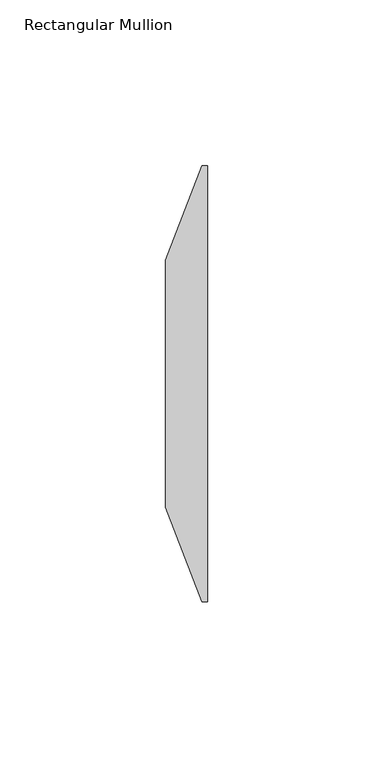
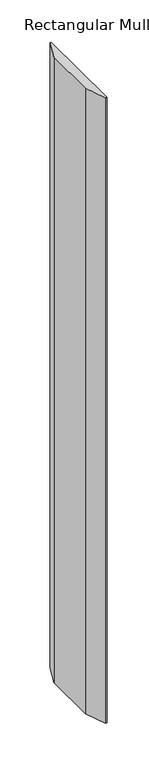
"""IFC4 building model written with IfcOpenShell, lengths in millimetres: member geometry, Rectangular Mullion."""

from ifc_helpers import new_model, si_unit, frame, origin, place, context, project, spatial, polyline, outline, extrude, source, transform, mapped, element, save


def rectangular_mullion_be4ab23e(model_context):
    return source(origin(), model_context, "Body", "SweptSolid", [
        extrude(outline(polyline([(0.0, -58.7375), (-1.5875, -58.7375), (-12.7, -30.1625), (-12.7, 44.45), (-1.5875, 73.025), (0.0, 73.025), (0.0, -58.7375)])), frame((0.0, 0.0, -904.875), z_axis=(0.0, 0.0, 1.0), x_axis=(1.0, 0.0, 0.0)), (0.0, 0.0, 1.0), 904.875),
    ])


if __name__ == "__main__":
    model = new_model("IFC4")
    model_context = context("Model", 3, world=origin())
    ifc_project = project(units=[si_unit("LENGTHUNIT", "METRE", prefix="MILLI")], contexts=[model_context])
    site = spatial("IfcSite", under=ifc_project)
    building = spatial("IfcBuilding", under=site)
    placement = place(None, origin())
    rectangular_mullion_shape = rectangular_mullion_be4ab23e(model_context)
    element("IfcMember", 1, ObjectType="Rectangular Mullion", at=placement, inside=building, context=model_context, shape_type="MappedRepresentation", body=[
        mapped(rectangular_mullion_shape, transform((0.0, 0.0, 0.0), x_axis=(1.0, 0.0, 0.0), y_axis=(0.0, 1.0, 0.0), z_axis=(0.0, 0.0, 1.0))),
    ])
    save(model, "model.ifc")
